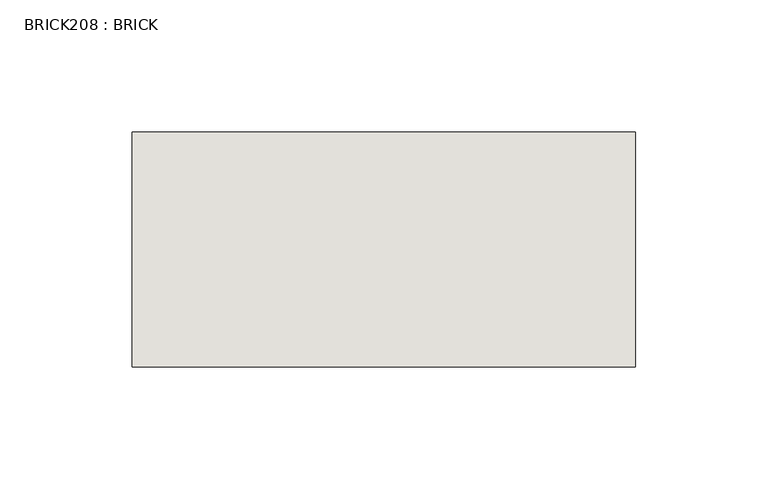
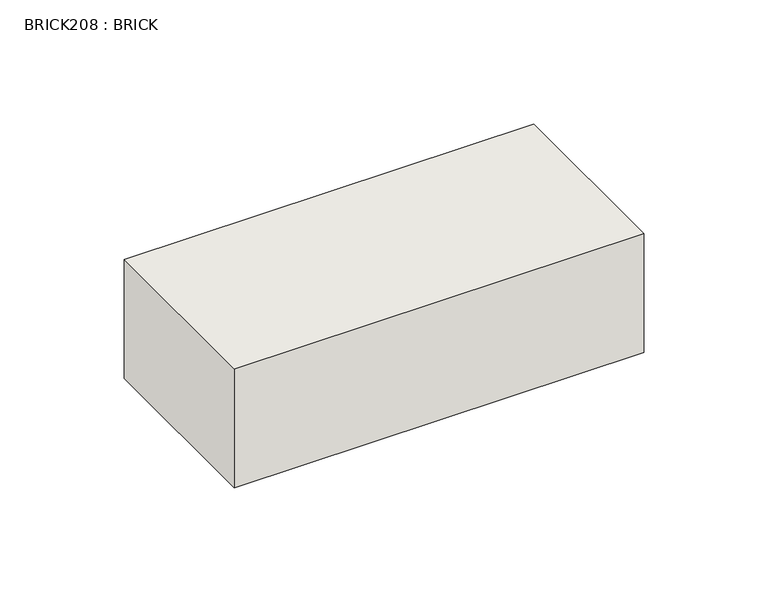
"""IFC4 building model written with IfcOpenShell, lengths in millimetres: wall geometry, BRICK208 : BRICK."""

from ifc_helpers import new_model, si_unit, frame, origin, place, context, project, spatial, polyline, outline, extrude, source, transform, mapped, element, save


def brick208_brick_ebfd0cf4(model_context):
    return source(origin(), model_context, "Body", "SweptSolid", [
        extrude(outline(polyline([(-871.4574357, 3062.3923312), (-680.9574357, 3062.3923312), (-680.9574357, 2973.4923312), (-871.4574357, 2973.4923312), (-871.4574357, 3062.3923312)])), frame((0.0, 0.0, 423.2671875), z_axis=(0.0, 0.0, 1.0), x_axis=(1.0, 0.0, 0.0)), (0.0, 0.0, 1.0), 58.4398437),
    ])


if __name__ == "__main__":
    model = new_model("IFC4")
    model_context = context("Model", 3, world=origin())
    ifc_project = project(units=[si_unit("LENGTHUNIT", "METRE", prefix="MILLI")], contexts=[model_context])
    site = spatial("IfcSite", under=ifc_project)
    building = spatial("IfcBuilding", under=site)
    placement = place(None, origin())
    brick208_brick_shape = brick208_brick_ebfd0cf4(model_context)
    element("IfcWall", 1, ObjectType="BRICK208 : BRICK", at=placement, inside=building, context=model_context, shape_type="MappedRepresentation", body=[
        mapped(brick208_brick_shape, transform((0.0, 0.0, 0.0), x_axis=(1.0, 0.0, 0.0), y_axis=(0.0, 1.0, 0.0), z_axis=(0.0, 0.0, 1.0))),
    ])
    save(model, "model.ifc")
